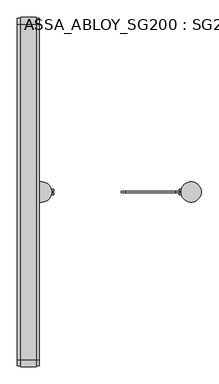
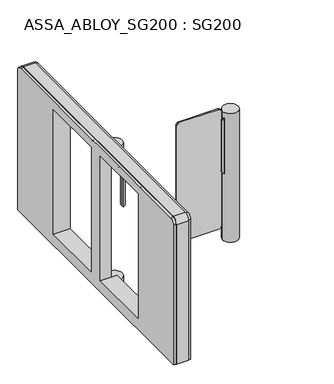
"""IFC4 building model written with IfcOpenShell, lengths in millimetres: proxy geometry, ASSA_ABLOY_SG200 : SG200."""

from ifc_helpers import new_model, si_unit, point, frame, frame_2d, origin, place, context, project, spatial, polyline, circle_curve, trimmed, segment, composite_curve, outline, extrude, source, transform, mapped, element, save
from ifc_brep_helpers import plane_surface, cylinder_surface, advanced_brep


def assa_abloy_sg200_sg200_abcd556b(model_context):
    return source(origin(), model_context, "Body", "SolidModel", [
        advanced_brep(
        [(-403.0, -40.7, 0.0), (-403.0, -864.0, 0.0), (-481.0, -864.0, 0.0), (-481.0, 864.0, 0.0), (-403.0, 864.0, 0.0), (-403.0, 40.7, 0.0), (-375.8, 40.7, 0.0), (-375.8, -40.7, 0.0), (-481.0, -864.0, 9.5), (-481.0, 864.0, 9.5), (-403.0, -40.7, 9.5), (-403.0, -864.0, 9.5), (-403.0, 864.0, 9.5), (-403.0, 40.7, 9.5), (-375.8, -40.7, 10.0), (-387.0, -40.7, 10.0), (-387.0, -40.7, 9.5), (-375.8, 40.7, 10.0), (-387.0, 40.7, 9.5), (-387.0, 40.7, 10.0), (-375.8, 50.8, 955.51), (-387.0, 50.8, 955.51), (-387.0, -50.8, 955.51), (-375.8, -50.8, 955.51), (-375.8, -50.8, 925.51), (-375.8, 50.8, 925.51), (-426.8, -50.8, 925.51), (-426.8, 50.8, 925.51), (-426.8, 50.8, 48.01), (-426.8, -50.8, 48.01), (-387.0, -50.8, 48.01), (-375.8, -50.8, 48.01), (-375.8, 50.8, 48.01), (-387.0, 50.8, 48.01), (-497.0, 50.8, 85.2), (-426.8, 50.8, 85.2), (-387.0, 50.8, 85.2), (-387.0, 474.0, 85.2), (-497.0, 474.0, 85.2), (-387.0, 474.0, 936.825), (-497.0, 474.0, 936.825), (-387.0, 50.8, 936.825), (-497.0, 50.8, 936.825), (-497.0, -474.0, 85.2), (-387.0, -474.0, 85.2), (-387.0, -50.8, 85.2), (-426.8, -50.8, 85.2), (-497.0, -50.8, 85.2), (-387.0, -50.8, 936.825), (-497.0, -50.8, 936.825), (-387.0, -474.0, 936.825), (-497.0, -474.0, 936.825), (-497.0, -874.0, 965.5), (-497.0, -842.5, 997.0), (-497.0, 842.5, 997.0), (-497.0, 874.0, 965.5), (-497.0, 874.0, 9.5), (-497.0, -874.0, 9.5), (-387.0, -874.0, 965.5), (-387.0, -874.0, 9.5), (-387.0, -50.8, 10.0), (-387.0, 50.8, 10.0), (-387.0, 874.0, 9.5), (-387.0, 874.0, 965.5), (-387.0, 842.5, 997.0), (-387.0, -842.5, 997.0), (-375.8, 50.8, 10.0), (-375.8, -50.8, 10.0)],
        [
            (0, 1),
            (1, 2),
            (2, 3),
            (3, 4),
            (4, 5),
            (5, 6),
            (6, 7, circle_curve(frame((-375.8, 0.0, 0.0), z_axis=(0.0, 0.0, -1.0), x_axis=(1.0, 0.0, 0.0)), 40.7)),
            (7, 0),
            (2, 8),
            (8, 9),
            (9, 3),
            (0, 10),
            (10, 11),
            (11, 1),
            (9, 12),
            (12, 4),
            (12, 13),
            (13, 5),
            (7, 14),
            (14, 15),
            (15, 16),
            (16, 10),
            (6, 17),
            (17, 14, circle_curve(frame((-375.8, 0.0, 10.0), z_axis=(0.0, 0.0, -1.0), x_axis=(1.0, 0.0, 0.0)), 40.7)),
            (13, 18),
            (18, 19),
            (19, 17),
            (20, 21),
            (21, 22),
            (22, 23),
            (23, 20, circle_curve(frame((-375.8, 0.0, 955.51), z_axis=(0.0, 0.0, 1.0), x_axis=(1.0, 0.0, 0.0)), 50.8)),
            (23, 24),
            (24, 25, circle_curve(frame((-375.8, 0.0, 925.51), z_axis=(0.0, 0.0, 1.0), x_axis=(1.0, 0.0, 0.0)), 50.8)),
            (25, 20),
            (11, 8),
            (26, 27),
            (27, 25),
            (24, 26),
            (28, 29),
            (29, 30),
            (30, 31),
            (31, 32, circle_curve(frame((-375.8, 0.0, 48.01), z_axis=(0.0, 0.0, 1.0), x_axis=(1.0, 0.0, 0.0)), 50.8)),
            (32, 33),
            (33, 28),
            (34, 35),
            (35, 36),
            (36, 37),
            (37, 38),
            (38, 34),
            (37, 39),
            (39, 40),
            (40, 38),
            (39, 41),
            (41, 42),
            (42, 40),
            (34, 42),
            (41, 21),
            (27, 35),
            (43, 44),
            (44, 45),
            (45, 46),
            (46, 47),
            (47, 43),
            (46, 26),
            (22, 48),
            (48, 49),
            (49, 47),
            (48, 50),
            (50, 51),
            (51, 49),
            (43, 51),
            (50, 44),
            (52, 53, circle_curve(frame((-497.0, -842.5, 965.5), z_axis=(-1.0, 0.0, 0.0), x_axis=(0.0, 1.0, 0.0)), 31.5)),
            (53, 54),
            (54, 55, circle_curve(frame((-497.0, 842.5, 965.5), z_axis=(-1.0, 0.0, 0.0), x_axis=(0.0, 1.0, 0.0)), 31.5)),
            (55, 56),
            (56, 57),
            (57, 52),
            (58, 59),
            (59, 16),
            (15, 60),
            (60, 30),
            (30, 45),
            (36, 33),
            (33, 61),
            (61, 19),
            (18, 62),
            (62, 63),
            (63, 64, circle_curve(frame((-387.0, 842.5, 965.5), z_axis=(1.0, 0.0, 0.0), x_axis=(0.0, 1.0, 0.0)), 31.5)),
            (64, 65),
            (65, 58, circle_curve(frame((-387.0, -842.5, 965.5), z_axis=(1.0, 0.0, 0.0), x_axis=(0.0, 1.0, 0.0)), 31.5)),
            (57, 59),
            (58, 52),
            (56, 62),
            (55, 63),
            (54, 64),
            (53, 65),
            (35, 28),
            (46, 29),
            (32, 66),
            (66, 61),
            (60, 67),
            (67, 31),
            (67, 66, circle_curve(frame((-375.8, 0.0, 10.0), z_axis=(0.0, 0.0, 1.0), x_axis=(1.0, 0.0, 0.0)), 50.8)),
        ],
        [
            plane_surface(frame((-403.0, -40.7, 0.0), z_axis=(0.0, 0.0, -1.0), x_axis=(-1.0, 0.0, 0.0))),
            plane_surface(frame((-481.0, 864.0, 10.21), z_axis=(-1.0, 0.0, 0.0), x_axis=(0.0, 0.0, -1.0))),
            plane_surface(frame((-403.0, -864.0, 10.21), z_axis=(1.0, 0.0, 0.0), x_axis=(0.0, 0.0, -1.0))),
            plane_surface(frame((-403.0, 864.0, 10.21), z_axis=(0.0, 1.0, 0.0), x_axis=(0.0, 0.0, -1.0))),
            plane_surface(frame((-403.0, 40.7, 10.21), z_axis=(1.0, 0.0, 0.0), x_axis=(0.0, 0.0, -1.0))),
            plane_surface(frame((-403.0, -40.7, 10.21), z_axis=(0.0, -1.0, 0.0), x_axis=(0.0, 0.0, -1.0))),
            cylinder_surface(frame((-375.8, 0.0, 0.0), z_axis=(0.0, 0.0, 1.0), x_axis=(1.0, 0.0, 0.0)), 40.7),
            plane_surface(frame((-375.8, 40.7, 10.21), z_axis=(0.0, 1.0, 0.0), x_axis=(0.0, 0.0, -1.0))),
            plane_surface(frame((-375.8, 50.8, 955.51), z_axis=(0.0, 0.0, 1.0), x_axis=(-1.0, 0.0, 0.0))),
            cylinder_surface(frame((-375.8, 0.0, 925.51), z_axis=(0.0, 0.0, 1.0), x_axis=(1.0, 0.0, 0.0)), 50.8),
            plane_surface(frame((-481.0, -864.0, 10.21), z_axis=(0.0, -1.0, 0.0), x_axis=(0.0, 0.0, -1.0))),
            plane_surface(frame((-426.8, 0.0, 925.51), z_axis=(0.0, 0.0, -1.0), x_axis=(0.0, -1.0, 0.0))),
            plane_surface(frame((-426.8, 0.0, 48.01), z_axis=(0.0, 0.0, 1.0), x_axis=(0.0, 1.0, 0.0))),
            plane_surface(frame((-380.0, 50.8, 85.2), z_axis=(0.0, 0.0, 1.0), x_axis=(-1.0, 0.0, 0.0))),
            plane_surface(frame((-380.0, 474.0, 85.2), z_axis=(0.0, -1.0, 0.0), x_axis=(-1.0, 0.0, 0.0))),
            plane_surface(frame((-380.0, 474.0, 936.825), z_axis=(0.0, 0.0, -1.0), x_axis=(-1.0, 0.0, 0.0))),
            plane_surface(frame((-380.0, 50.8, 936.825), z_axis=(0.0, 1.0, 0.0), x_axis=(-1.0, 0.0, 0.0))),
            plane_surface(frame((-380.0, -474.0, 85.2), z_axis=(0.0, 0.0, 1.0), x_axis=(-1.0, 0.0, 0.0))),
            plane_surface(frame((-380.0, -50.8, 85.2), z_axis=(0.0, -1.0, 0.0), x_axis=(-1.0, 0.0, 0.0))),
            plane_surface(frame((-380.0, -50.8, 936.825), z_axis=(0.0, 0.0, -1.0), x_axis=(-1.0, 0.0, 0.0))),
            plane_surface(frame((-380.0, -474.0, 936.825), z_axis=(0.0, 1.0, 0.0), x_axis=(-1.0, 0.0, 0.0))),
            plane_surface(frame((-497.0, -874.0, 10.2), z_axis=(-1.0, 0.0, 0.0), x_axis=(0.0, 0.0, 1.0))),
            plane_surface(frame((-387.0, -874.0, 10.2), z_axis=(1.0, 0.0, 0.0), x_axis=(0.0, 0.0, -1.0))),
            plane_surface(frame((-387.0, -874.0, 965.5), z_axis=(0.0, -1.0, 0.0), x_axis=(-1.0, 0.0, 0.0))),
            plane_surface(frame((-387.0, -874.0, 9.5), z_axis=(0.0, 0.0, -1.0), x_axis=(-1.0, 0.0, 0.0))),
            plane_surface(frame((-387.0, 874.0, 9.5), z_axis=(0.0, 1.0, 0.0), x_axis=(-1.0, 0.0, 0.0))),
            cylinder_surface(frame((-497.0, 842.5, 965.5), z_axis=(1.0, 0.0, 0.0), x_axis=(0.0, 1.0, 0.0)), 31.5),
            plane_surface(frame((-387.0, 842.5, 997.0), z_axis=(0.0, 0.0, 1.0), x_axis=(-1.0, 0.0, 0.0))),
            cylinder_surface(frame((-497.0, -842.5, 965.5), z_axis=(1.0, 0.0, 0.0), x_axis=(0.0, 1.0, 0.0)), 31.5),
            plane_surface(frame((-387.0, 50.8, 925.51), z_axis=(0.0, -1.0, 0.0), x_axis=(0.0, 0.0, -1.0))),
            plane_surface(frame((-426.8, 50.8, 925.51), z_axis=(1.0, 0.0, 0.0), x_axis=(0.0, 0.0, -1.0))),
            plane_surface(frame((-426.8, -50.8, 925.51), z_axis=(0.0, 1.0, 0.0), x_axis=(0.0, 0.0, -1.0))),
            plane_surface(frame((-375.8, 50.8, 48.01), z_axis=(0.0, 1.0, 0.0), x_axis=(0.0, 0.0, -1.0))),
            plane_surface(frame((-387.0, -50.8, 48.01), z_axis=(0.0, -1.0, 0.0), x_axis=(0.0, 0.0, -1.0))),
            cylinder_surface(frame((-375.8, 0.0, 10.0), z_axis=(0.0, 0.0, 1.0), x_axis=(1.0, 0.0, 0.0)), 50.8),
            plane_surface(frame((-375.8, 50.8, 10.0), z_axis=(0.0, 0.0, -1.0), x_axis=(1.0, 0.0, 0.0))),
        ],
        [
            (0, [[1, 2, 3, 4, 5, 6, 7, 8]]),
            (1, [[-3, 9, 10, 11]]),
            (2, [[-1, 12, 13, 14]]),
            (3, [[-4, -11, 15, 16]]),
            (4, [[-5, -16, 17, 18]]),
            (5, [[-8, 19, 20, 21, 22, -12]]),
            (6, [[-7, 23, 24, -19]]),
            (7, [[-6, -18, 25, 26, 27, -23]]),
            (8, [[28, 29, 30, 31]]),
            (9, [[-31, 32, 33, 34]]),
            (10, [[-2, -14, 35, -9]]),
            (11, [[36, 37, -33, 38]]),
            (12, [[39, 40, 41, 42, 43, 44]]),
            (13, [[45, 46, 47, 48, 49]]),
            (14, [[-48, 50, 51, 52]]),
            (15, [[-51, 53, 54, 55]]),
            (16, [[-45, 56, -54, 57, -28, -34, -37, 58]]),
            (17, [[59, 60, 61, 62, 63]]),
            (18, [[-62, 64, -38, -32, -30, 65, 66, 67]]),
            (19, [[-66, 68, 69, 70]]),
            (20, [[-59, 71, -69, 72]]),
            (21, [[73, 74, 75, 76, 77, 78], [-49, -52, -55, -56], [-63, -67, -70, -71]]),
            (22, [[79, 80, -21, 81, 82, 83, -60, -72, -68, -65, -29, -57, -53, -50, -47, 84, 85, 86, -26, 87, 88, 89, 90, 91]]),
            (23, [[-78, 92, -79, 93]]),
            (24, [[-77, 94, -87, -25, -17, -15, -10, -35, -13, -22, -80, -92]]),
            (25, [[-76, 95, -88, -94]]),
            (26, [[-75, 96, -89, -95]]),
            (27, [[-74, 97, -90, -96]]),
            (28, [[-73, -93, -91, -97]]),
            (29, [[-44, -84, -46, 98]]),
            (30, [[-36, -64, 99, -39, -98, -58]]),
            (31, [[-40, -99, -61, -83]]),
            (32, [[-43, 100, 101, -85]]),
            (33, [[-41, -82, 102, 103]]),
            (34, [[-42, -103, 104, -100]]),
            (35, [[-104, -102, -81, -20, -24, -27, -86, -101]]),
        ],
    ),
        extrude(outline(composite_curve([segment(polyline([(-874.0, 965.5), (-874.0, 9.5), (-877.0, 9.5), (-877.0, 965.5)]), True, "CONTINUOUS"), segment(trimmed(circle_curve(frame_2d((-842.5, 965.5)), 34.5), [point((-877.0, 965.5))], [point((-842.5, 1000.0))], False, "CARTESIAN"), True, "CONTINUOUS"), segment(polyline([(-842.5, 1000.0), (842.5, 1000.0)]), True, "CONTINUOUS"), segment(trimmed(circle_curve(frame_2d((842.5, 965.5)), 34.5), [point((842.5, 1000.0))], [point((877.0, 965.5))], False, "CARTESIAN"), True, "CONTINUOUS"), segment(polyline([(877.0, 965.5), (877.0, 9.5), (874.0, 9.5), (874.0, 965.5)]), True, "CONTINUOUS"), segment(trimmed(circle_curve(frame_2d((842.5, 965.5)), 31.5), [point((874.0, 965.5))], [point((842.5, 997.0))], True, "CARTESIAN"), True, "CONTINUOUS"), segment(polyline([(842.5, 997.0), (-842.5, 997.0)]), True, "CONTINUOUS"), segment(trimmed(circle_curve(frame_2d((-842.5, 965.5)), 31.5), [point((-842.5, 997.0))], [point((-874.0, 965.5))], True, "CARTESIAN"), True, "CONTINUOUS")], self_intersect=False)), frame((-481.0, 0.0, 0.0), z_axis=(1.0, 0.0, 0.0), x_axis=(0.0, 1.0, 0.0)), (0.0, 0.0, 1.0), 78.0),
        advanced_brep(
        [(-426.0, -351.7809311, 936.825), (-420.0, -357.7809311, 936.825), (-420.0, -357.7809311, 933.825), (-426.0, -351.7809311, 933.825), (-435.0, -357.7809311, 918.825), (-435.0, -351.7809311, 924.825), (-435.0, -351.7809311, 933.825), (-435.0, -411.7809311, 933.825), (-435.0, -411.7809311, 924.825), (-435.0, -405.7809311, 918.825), (-438.0, -357.7809311, 918.825), (-438.0, -351.7809311, 924.825), (-438.0, -411.7809311, 924.825), (-438.0, -405.7809311, 918.825), (-438.0, -351.7809311, 936.825), (-438.0, -411.7809311, 936.825), (-426.0, -411.7809311, 936.825), (-420.0, -405.7809311, 936.825), (-420.0, -405.7809311, 933.825), (-426.0, -411.7809311, 933.825)],
        [
            (0, 1, circle_curve(frame((-426.0, -357.7809311, 936.825), z_axis=(0.0, 0.0, -1.0), x_axis=(0.0, -1.0, 0.0)), 6.0)),
            (1, 2),
            (2, 3, circle_curve(frame((-426.0, -357.7809311, 933.825), z_axis=(0.0, 0.0, 1.0), x_axis=(0.0, -1.0, 0.0)), 6.0)),
            (3, 0),
            (4, 5, circle_curve(frame((-435.0, -357.7809311, 924.825), z_axis=(1.0, 0.0, 0.0), x_axis=(0.0, 1.0, 0.0)), 6.0)),
            (5, 6),
            (6, 7),
            (7, 8),
            (8, 9, circle_curve(frame((-435.0, -405.7809311, 924.825), z_axis=(1.0, 0.0, 0.0), x_axis=(0.0, 1.0, 0.0)), 6.0)),
            (9, 4),
            (10, 11, circle_curve(frame((-438.0, -357.7809311, 924.825), z_axis=(1.0, 0.0, 0.0), x_axis=(0.0, 1.0, 0.0)), 6.0)),
            (11, 5),
            (4, 10),
            (12, 13, circle_curve(frame((-438.0, -405.7809311, 924.825), z_axis=(1.0, 0.0, 0.0), x_axis=(0.0, 1.0, 0.0)), 6.0)),
            (13, 9),
            (8, 12),
            (13, 10),
            (0, 14),
            (14, 15),
            (15, 16),
            (16, 17, circle_curve(frame((-426.0, -405.7809311, 936.825), z_axis=(0.0, 0.0, 1.0), x_axis=(0.0, -1.0, 0.0)), 6.0)),
            (17, 1),
            (2, 18),
            (18, 19, circle_curve(frame((-426.0, -405.7809311, 933.825), z_axis=(0.0, 0.0, -1.0), x_axis=(0.0, -1.0, 0.0)), 6.0)),
            (19, 7),
            (6, 3),
            (17, 18),
            (16, 19),
            (15, 12),
            (14, 11),
        ],
        [
            cylinder_surface(frame((-426.0, -357.7809311, 936.825), z_axis=(0.0, 0.0, -1.0), x_axis=(0.0, -1.0, 0.0)), 6.0),
            plane_surface(frame((-435.0, 405.7809311, 918.825), z_axis=(1.0, 0.0, 0.0), x_axis=(0.0, 1.0, 0.0))),
            cylinder_surface(frame((-438.0, -357.7809311, 924.825), z_axis=(1.0, 0.0, 0.0), x_axis=(0.0, 1.0, 0.0)), 6.0),
            cylinder_surface(frame((-438.0, -405.7809311, 924.825), z_axis=(1.0, 0.0, 0.0), x_axis=(0.0, 1.0, 0.0)), 6.0),
            plane_surface(frame((-435.0, -405.7809311, 918.825), z_axis=(0.0, 0.0, -1.0), x_axis=(-1.0, 0.0, 0.0))),
            plane_surface(frame((-420.0, -405.7809311, 936.825), z_axis=(0.0, 0.0, 1.0), x_axis=(0.0, 1.0, 0.0))),
            plane_surface(frame((-420.0, -405.7809311, 933.825), z_axis=(0.0, 0.0, -1.0), x_axis=(0.0, -1.0, 0.0))),
            plane_surface(frame((-420.0, -357.7809311, 933.825), z_axis=(1.0, 0.0, 0.0), x_axis=(0.0, 0.0, 1.0))),
            cylinder_surface(frame((-426.0, -405.7809311, 936.825), z_axis=(0.0, 0.0, -1.0), x_axis=(0.0, -1.0, 0.0)), 6.0),
            plane_surface(frame((-426.0, -411.7809311, 933.825), z_axis=(0.0, -1.0, 0.0), x_axis=(0.0, 0.0, 1.0))),
            plane_surface(frame((-438.0, -411.7809311, 933.825), z_axis=(-1.0, 0.0, 0.0), x_axis=(0.0, 0.0, 1.0))),
            plane_surface(frame((-438.0, -351.7809311, 933.825), z_axis=(0.0, 1.0, 0.0), x_axis=(0.0, 0.0, 1.0))),
        ],
        [
            (0, [[1, 2, 3, 4]]),
            (1, [[5, 6, 7, 8, 9, 10]]),
            (2, [[11, 12, -5, 13]]),
            (3, [[14, 15, -9, 16]]),
            (4, [[17, -13, -10, -15]]),
            (5, [[-1, 18, 19, 20, 21, 22]]),
            (6, [[23, 24, 25, -7, 26, -3]]),
            (7, [[-22, 27, -23, -2]]),
            (8, [[-21, 28, -24, -27]]),
            (9, [[-28, -20, 29, -16, -8, -25]]),
            (10, [[-19, 30, -11, -17, -14, -29]]),
            (11, [[-4, -26, -6, -12, -30, -18]]),
        ],
    ),
        advanced_brep(
        [(-435.0, 357.7809311, 918.825), (-435.0, 405.7809311, 918.825), (-435.0, 411.7809311, 924.825), (-435.0, 411.7809311, 933.825), (-435.0, 351.7809311, 933.825), (-435.0, 351.7809311, 924.825), (-438.0, 357.7809311, 918.825), (-438.0, 405.7809311, 918.825), (-438.0, 411.7809311, 924.825), (-438.0, 351.7809311, 924.825), (-420.0, 357.7809311, 936.825), (-420.0, 405.7809311, 936.825), (-426.0, 411.7809311, 936.825), (-438.0, 411.7809311, 936.825), (-438.0, 351.7809311, 936.825), (-426.0, 351.7809311, 936.825), (-420.0, 357.7809311, 933.825), (-426.0, 351.7809311, 933.825), (-426.0, 411.7809311, 933.825), (-420.0, 405.7809311, 933.825)],
        [
            (0, 1),
            (1, 2, circle_curve(frame((-435.0, 405.7809311, 924.825), z_axis=(1.0, 0.0, 0.0), x_axis=(0.0, 1.0, 0.0)), 6.0)),
            (2, 3),
            (3, 4),
            (4, 5),
            (5, 0, circle_curve(frame((-435.0, 357.7809311, 924.825), z_axis=(1.0, 0.0, 0.0), x_axis=(0.0, 1.0, 0.0)), 6.0)),
            (6, 7),
            (7, 1),
            (0, 6),
            (7, 8, circle_curve(frame((-438.0, 405.7809311, 924.825), z_axis=(1.0, 0.0, 0.0), x_axis=(0.0, 1.0, 0.0)), 6.0)),
            (8, 2),
            (9, 6, circle_curve(frame((-438.0, 357.7809311, 924.825), z_axis=(1.0, 0.0, 0.0), x_axis=(0.0, 1.0, 0.0)), 6.0)),
            (5, 9),
            (10, 11),
            (11, 12, circle_curve(frame((-426.0, 405.7809311, 936.825), z_axis=(0.0, 0.0, 1.0), x_axis=(0.0, -1.0, 0.0)), 6.0)),
            (12, 13),
            (13, 14),
            (14, 15),
            (15, 10, circle_curve(frame((-426.0, 357.7809311, 936.825), z_axis=(0.0, 0.0, 1.0), x_axis=(0.0, -1.0, 0.0)), 6.0)),
            (16, 17, circle_curve(frame((-426.0, 357.7809311, 933.825), z_axis=(0.0, 0.0, -1.0), x_axis=(0.0, -1.0, 0.0)), 6.0)),
            (17, 4),
            (3, 18),
            (18, 19, circle_curve(frame((-426.0, 405.7809311, 933.825), z_axis=(0.0, 0.0, -1.0), x_axis=(0.0, -1.0, 0.0)), 6.0)),
            (19, 16),
            (13, 8),
            (9, 14),
            (15, 17),
            (16, 10),
            (12, 18),
            (11, 19),
        ],
        [
            plane_surface(frame((-435.0, 405.7809311, 918.825), z_axis=(1.0, 0.0, 0.0), x_axis=(0.0, 1.0, 0.0))),
            plane_surface(frame((-435.0, 357.7809311, 918.825), z_axis=(0.0, 0.0, -1.0), x_axis=(-1.0, 0.0, 0.0))),
            cylinder_surface(frame((-438.0, 405.7809311, 924.825), z_axis=(1.0, 0.0, 0.0), x_axis=(0.0, 1.0, 0.0)), 6.0),
            cylinder_surface(frame((-438.0, 357.7809311, 924.825), z_axis=(1.0, 0.0, 0.0), x_axis=(0.0, 1.0, 0.0)), 6.0),
            plane_surface(frame((-420.0, -405.7809311, 936.825), z_axis=(0.0, 0.0, 1.0), x_axis=(0.0, 1.0, 0.0))),
            plane_surface(frame((-420.0, -405.7809311, 933.825), z_axis=(0.0, 0.0, -1.0), x_axis=(0.0, -1.0, 0.0))),
            plane_surface(frame((-438.0, -411.7809311, 933.825), z_axis=(-1.0, 0.0, 0.0), x_axis=(0.0, 0.0, 1.0))),
            cylinder_surface(frame((-426.0, 357.7809311, 936.825), z_axis=(0.0, 0.0, -1.0), x_axis=(0.0, -1.0, 0.0)), 6.0),
            plane_surface(frame((-426.0, 351.7809311, 933.825), z_axis=(0.0, -1.0, 0.0), x_axis=(0.0, 0.0, 1.0))),
            plane_surface(frame((-438.0, 411.7809311, 933.825), z_axis=(0.0, 1.0, 0.0), x_axis=(0.0, 0.0, 1.0))),
            cylinder_surface(frame((-426.0, 405.7809311, 936.825), z_axis=(0.0, 0.0, -1.0), x_axis=(0.0, -1.0, 0.0)), 6.0),
            plane_surface(frame((-420.0, 405.7809311, 933.825), z_axis=(1.0, 0.0, 0.0), x_axis=(0.0, 0.0, 1.0))),
        ],
        [
            (0, [[1, 2, 3, 4, 5, 6]]),
            (1, [[7, 8, -1, 9]]),
            (2, [[10, 11, -2, -8]]),
            (3, [[12, -9, -6, 13]]),
            (4, [[14, 15, 16, 17, 18, 19]]),
            (5, [[20, 21, -4, 22, 23, 24]]),
            (6, [[-17, 25, -10, -7, -12, 26]]),
            (7, [[-19, 27, -20, 28]]),
            (8, [[-27, -18, -26, -13, -5, -21]]),
            (9, [[29, -22, -3, -11, -25, -16]]),
            (10, [[-15, 30, -23, -29]]),
            (11, [[-14, -28, -24, -30]]),
        ],
    ),
        advanced_brep(
        [(-435.0, 173.7809311, 918.825), (-435.0, 179.7809311, 924.825), (-435.0, 179.7809311, 933.825), (-435.0, 119.7809311, 933.825), (-435.0, 119.7809311, 924.825), (-435.0, 125.7809311, 918.825), (-438.0, 173.7809311, 918.825), (-438.0, 179.7809311, 924.825), (-438.0, 119.7809311, 924.825), (-438.0, 125.7809311, 918.825), (-420.0, 174.7809311, 936.825), (-425.0, 179.7809311, 936.825), (-438.0, 179.7809311, 936.825), (-438.0, 119.7809311, 936.825), (-426.0, 119.7809311, 936.825), (-420.0, 125.7809311, 936.825), (-420.0, 174.7809311, 933.825), (-420.0, 125.7809311, 933.825), (-426.0, 119.7809311, 933.825), (-425.0, 179.7809311, 933.825)],
        [
            (0, 1, circle_curve(frame((-435.0, 173.7809311, 924.825), z_axis=(1.0, 0.0, 0.0), x_axis=(0.0, 1.0, 0.0)), 6.0)),
            (1, 2),
            (2, 3),
            (3, 4),
            (4, 5, circle_curve(frame((-435.0, 125.7809311, 924.825), z_axis=(1.0, 0.0, 0.0), x_axis=(0.0, 1.0, 0.0)), 6.0)),
            (5, 0),
            (6, 7, circle_curve(frame((-438.0, 173.7809311, 924.825), z_axis=(1.0, 0.0, 0.0), x_axis=(0.0, 1.0, 0.0)), 6.0)),
            (7, 1),
            (0, 6),
            (8, 9, circle_curve(frame((-438.0, 125.7809311, 924.825), z_axis=(1.0, 0.0, 0.0), x_axis=(0.0, 1.0, 0.0)), 6.0)),
            (9, 5),
            (4, 8),
            (9, 6),
            (10, 11, circle_curve(frame((-425.0, 174.7809311, 936.825), z_axis=(0.0, 0.0, 1.0), x_axis=(0.0, -1.0, 0.0)), 5.0)),
            (11, 12),
            (12, 13),
            (13, 14),
            (14, 15, circle_curve(frame((-426.0, 125.7809311, 936.825), z_axis=(0.0, 0.0, 1.0), x_axis=(0.0, -1.0, 0.0)), 6.0)),
            (15, 10),
            (16, 17),
            (17, 18, circle_curve(frame((-426.0, 125.7809311, 933.825), z_axis=(0.0, 0.0, -1.0), x_axis=(0.0, -1.0, 0.0)), 6.0)),
            (18, 3),
            (2, 19),
            (19, 16, circle_curve(frame((-425.0, 174.7809311, 933.825), z_axis=(0.0, 0.0, -1.0), x_axis=(0.0, -1.0, 0.0)), 5.0)),
            (12, 7),
            (8, 13),
            (15, 17),
            (16, 10),
            (14, 18),
            (11, 19),
        ],
        [
            plane_surface(frame((-435.0, 405.7809311, 918.825), z_axis=(1.0, 0.0, 0.0), x_axis=(0.0, 1.0, 0.0))),
            cylinder_surface(frame((-438.0, 173.7809311, 924.825), z_axis=(1.0, 0.0, 0.0), x_axis=(0.0, 1.0, 0.0)), 6.0),
            cylinder_surface(frame((-438.0, 125.7809311, 924.825), z_axis=(1.0, 0.0, 0.0), x_axis=(0.0, 1.0, 0.0)), 6.0),
            plane_surface(frame((-435.0, 125.7809311, 918.825), z_axis=(0.0, 0.0, -1.0), x_axis=(-1.0, 0.0, 0.0))),
            plane_surface(frame((-420.0, -405.7809311, 936.825), z_axis=(0.0, 0.0, 1.0), x_axis=(0.0, 1.0, 0.0))),
            plane_surface(frame((-420.0, -405.7809311, 933.825), z_axis=(0.0, 0.0, -1.0), x_axis=(0.0, -1.0, 0.0))),
            plane_surface(frame((-438.0, -411.7809311, 933.825), z_axis=(-1.0, 0.0, 0.0), x_axis=(0.0, 0.0, 1.0))),
            plane_surface(frame((-420.0, 174.7809311, 933.825), z_axis=(1.0, 0.0, 0.0), x_axis=(0.0, 0.0, 1.0))),
            cylinder_surface(frame((-426.0, 125.7809311, 936.825), z_axis=(0.0, 0.0, -1.0), x_axis=(0.0, -1.0, 0.0)), 6.0),
            plane_surface(frame((-426.0, 119.7809311, 933.825), z_axis=(0.0, -1.0, 0.0), x_axis=(0.0, 0.0, 1.0))),
            plane_surface(frame((-438.0, 179.7809311, 933.825), z_axis=(0.0, 1.0, 0.0), x_axis=(0.0, 0.0, 1.0))),
            cylinder_surface(frame((-425.0, 174.7809311, 936.825), z_axis=(0.0, 0.0, -1.0), x_axis=(0.0, -1.0, 0.0)), 5.0),
        ],
        [
            (0, [[1, 2, 3, 4, 5, 6]]),
            (1, [[7, 8, -1, 9]]),
            (2, [[10, 11, -5, 12]]),
            (3, [[13, -9, -6, -11]]),
            (4, [[14, 15, 16, 17, 18, 19]]),
            (5, [[20, 21, 22, -3, 23, 24]]),
            (6, [[-16, 25, -7, -13, -10, 26]]),
            (7, [[-19, 27, -20, 28]]),
            (8, [[-18, 29, -21, -27]]),
            (9, [[-29, -17, -26, -12, -4, -22]]),
            (10, [[30, -23, -2, -8, -25, -15]]),
            (11, [[-14, -28, -24, -30]]),
        ],
    ),
        advanced_brep(
        [(-435.0, -173.7809311, 918.825), (-435.0, -125.7809311, 918.825), (-435.0, -119.7809311, 924.825), (-435.0, -119.7809311, 933.825), (-435.0, -179.7809311, 933.825), (-435.0, -179.7809311, 924.825), (-438.0, -173.7809311, 918.825), (-438.0, -125.7809311, 918.825), (-438.0, -119.7809311, 924.825), (-438.0, -179.7809311, 924.825), (-420.0, -173.7809311, 936.825), (-420.0, -125.7809311, 936.825), (-426.0, -119.7809311, 936.825), (-438.0, -119.7809311, 936.825), (-438.0, -179.7809311, 936.825), (-426.0, -179.7809311, 936.825), (-420.0, -173.7809311, 933.825), (-426.0, -179.7809311, 933.825), (-426.0, -119.7809311, 933.825), (-420.0, -125.7809311, 933.825)],
        [
            (0, 1),
            (1, 2, circle_curve(frame((-435.0, -125.7809311, 924.825), z_axis=(1.0, 0.0, 0.0), x_axis=(0.0, 1.0, 0.0)), 6.0)),
            (2, 3),
            (3, 4),
            (4, 5),
            (5, 0, circle_curve(frame((-435.0, -173.7809311, 924.825), z_axis=(1.0, 0.0, 0.0), x_axis=(0.0, 1.0, 0.0)), 6.0)),
            (6, 7),
            (7, 1),
            (0, 6),
            (7, 8, circle_curve(frame((-438.0, -125.7809311, 924.825), z_axis=(1.0, 0.0, 0.0), x_axis=(0.0, 1.0, 0.0)), 6.0)),
            (8, 2),
            (9, 6, circle_curve(frame((-438.0, -173.7809311, 924.825), z_axis=(1.0, 0.0, 0.0), x_axis=(0.0, 1.0, 0.0)), 6.0)),
            (5, 9),
            (10, 11),
            (11, 12, circle_curve(frame((-426.0, -125.7809311, 936.825), z_axis=(0.0, 0.0, 1.0), x_axis=(0.0, -1.0, 0.0)), 6.0)),
            (12, 13),
            (13, 14),
            (14, 15),
            (15, 10, circle_curve(frame((-426.0, -173.7809311, 936.825), z_axis=(0.0, 0.0, 1.0), x_axis=(0.0, -1.0, 0.0)), 6.0)),
            (16, 17, circle_curve(frame((-426.0, -173.7809311, 933.825), z_axis=(0.0, 0.0, -1.0), x_axis=(0.0, -1.0, 0.0)), 6.0)),
            (17, 4),
            (3, 18),
            (18, 19, circle_curve(frame((-426.0, -125.7809311, 933.825), z_axis=(0.0, 0.0, -1.0), x_axis=(0.0, -1.0, 0.0)), 6.0)),
            (19, 16),
            (13, 8),
            (9, 14),
            (15, 17),
            (16, 10),
            (12, 18),
            (11, 19),
        ],
        [
            plane_surface(frame((-435.0, 405.7809311, 918.825), z_axis=(1.0, 0.0, 0.0), x_axis=(0.0, 1.0, 0.0))),
            plane_surface(frame((-435.0, -173.7809311, 918.825), z_axis=(0.0, 0.0, -1.0), x_axis=(-1.0, 0.0, 0.0))),
            cylinder_surface(frame((-438.0, -125.7809311, 924.825), z_axis=(1.0, 0.0, 0.0), x_axis=(0.0, 1.0, 0.0)), 6.0),
            cylinder_surface(frame((-438.0, -173.7809311, 924.825), z_axis=(1.0, 0.0, 0.0), x_axis=(0.0, 1.0, 0.0)), 6.0),
            plane_surface(frame((-420.0, -405.7809311, 936.825), z_axis=(0.0, 0.0, 1.0), x_axis=(0.0, 1.0, 0.0))),
            plane_surface(frame((-420.0, -405.7809311, 933.825), z_axis=(0.0, 0.0, -1.0), x_axis=(0.0, -1.0, 0.0))),
            plane_surface(frame((-438.0, -411.7809311, 933.825), z_axis=(-1.0, 0.0, 0.0), x_axis=(0.0, 0.0, 1.0))),
            cylinder_surface(frame((-426.0, -173.7809311, 936.825), z_axis=(0.0, 0.0, -1.0), x_axis=(0.0, -1.0, 0.0)), 6.0),
            plane_surface(frame((-426.0, -179.7809311, 933.825), z_axis=(0.0, -1.0, 0.0), x_axis=(0.0, 0.0, 1.0))),
            plane_surface(frame((-438.0, -119.7809311, 933.825), z_axis=(0.0, 1.0, 0.0), x_axis=(0.0, 0.0, 1.0))),
            cylinder_surface(frame((-426.0, -125.7809311, 936.825), z_axis=(0.0, 0.0, -1.0), x_axis=(0.0, -1.0, 0.0)), 6.0),
            plane_surface(frame((-420.0, -125.7809311, 933.825), z_axis=(1.0, 0.0, 0.0), x_axis=(0.0, 0.0, 1.0))),
        ],
        [
            (0, [[1, 2, 3, 4, 5, 6]]),
            (1, [[7, 8, -1, 9]]),
            (2, [[10, 11, -2, -8]]),
            (3, [[12, -9, -6, 13]]),
            (4, [[14, 15, 16, 17, 18, 19]]),
            (5, [[20, 21, -4, 22, 23, 24]]),
            (6, [[-17, 25, -10, -7, -12, 26]]),
            (7, [[-19, 27, -20, 28]]),
            (8, [[-27, -18, -26, -13, -5, -21]]),
            (9, [[29, -22, -3, -11, -25, -16]]),
            (10, [[-15, 30, -23, -29]]),
            (11, [[-14, -28, -24, -30]]),
        ],
    ),
        advanced_brep(
        [(-449.0, 357.7809311, 918.825), (-449.0, 351.7809311, 924.825), (-449.0, 351.7809311, 933.825), (-449.0, 411.7809311, 933.825), (-449.0, 411.7809311, 924.825), (-449.0, 405.7809311, 918.825), (-446.0, 405.7809311, 918.825), (-446.0, 357.7809311, 918.825), (-446.0, 411.7809311, 924.825), (-446.0, 351.7809311, 924.825), (-464.0, 357.7809311, 936.825), (-458.0, 351.7809311, 936.825), (-446.0, 351.7809311, 936.825), (-446.0, 411.7809311, 936.825), (-458.0, 411.7809311, 936.825), (-464.0, 405.7809311, 936.825), (-464.0, 357.7809311, 933.825), (-464.0, 405.7809311, 933.825), (-458.0, 411.7809311, 933.825), (-458.0, 351.7809311, 933.825)],
        [
            (0, 1, circle_curve(frame((-449.0, 357.7809311, 924.825), z_axis=(-1.0, 0.0, 0.0), x_axis=(0.0, -1.0, 0.0)), 6.0)),
            (1, 2),
            (2, 3),
            (3, 4),
            (4, 5, circle_curve(frame((-449.0, 405.7809311, 924.825), z_axis=(-1.0, 0.0, 0.0), x_axis=(0.0, -1.0, 0.0)), 6.0)),
            (5, 0),
            (6, 7),
            (7, 0),
            (5, 6),
            (8, 6, circle_curve(frame((-446.0, 405.7809311, 924.825), z_axis=(-1.0, 0.0, 0.0), x_axis=(0.0, -1.0, 0.0)), 6.0)),
            (4, 8),
            (7, 9, circle_curve(frame((-446.0, 357.7809311, 924.825), z_axis=(-1.0, 0.0, 0.0), x_axis=(0.0, -1.0, 0.0)), 6.0)),
            (9, 1),
            (10, 11, circle_curve(frame((-458.0, 357.7809311, 936.825), z_axis=(0.0, 0.0, 1.0), x_axis=(0.0, -1.0, 0.0)), 6.0)),
            (11, 12),
            (12, 13),
            (13, 14),
            (14, 15, circle_curve(frame((-458.0, 405.7809311, 936.825), z_axis=(0.0, 0.0, 1.0), x_axis=(0.0, -1.0, 0.0)), 6.0)),
            (15, 10),
            (16, 17),
            (17, 18, circle_curve(frame((-458.0, 405.7809311, 933.825), z_axis=(0.0, 0.0, -1.0), x_axis=(0.0, -1.0, 0.0)), 6.0)),
            (18, 3),
            (2, 19),
            (19, 16, circle_curve(frame((-458.0, 357.7809311, 933.825), z_axis=(0.0, 0.0, -1.0), x_axis=(0.0, -1.0, 0.0)), 6.0)),
            (8, 13),
            (12, 9),
            (15, 17),
            (16, 10),
            (14, 18),
            (11, 19),
        ],
        [
            plane_surface(frame((-449.0, 351.7809311, 924.825), z_axis=(-1.0, 0.0, 0.0), x_axis=(0.0, 0.0, 1.0))),
            plane_surface(frame((-449.0, 405.7809311, 918.825), z_axis=(0.0, 0.0, -1.0), x_axis=(1.0, 0.0, 0.0))),
            cylinder_surface(frame((-446.0, 405.7809311, 924.825), z_axis=(-1.0, 0.0, 0.0), x_axis=(0.0, -1.0, 0.0)), 6.0),
            cylinder_surface(frame((-446.0, 357.7809311, 924.825), z_axis=(-1.0, 0.0, 0.0), x_axis=(0.0, -1.0, 0.0)), 6.0),
            plane_surface(frame((-420.0, -405.7809311, 936.825), z_axis=(0.0, 0.0, 1.0), x_axis=(0.0, 1.0, 0.0))),
            plane_surface(frame((-420.0, -405.7809311, 933.825), z_axis=(0.0, 0.0, -1.0), x_axis=(0.0, -1.0, 0.0))),
            plane_surface(frame((-446.0, -351.7809311, 933.825), z_axis=(1.0, 0.0, 0.0), x_axis=(0.0, 0.0, 1.0))),
            plane_surface(frame((-464.0, 357.7809311, 933.825), z_axis=(-1.0, 0.0, 0.0), x_axis=(0.0, 0.0, 1.0))),
            cylinder_surface(frame((-458.0, 405.7809311, 936.825), z_axis=(0.0, 0.0, -1.0), x_axis=(0.0, -1.0, 0.0)), 6.0),
            plane_surface(frame((-458.0, 411.7809311, 933.825), z_axis=(0.0, 1.0, 0.0), x_axis=(0.0, 0.0, 1.0))),
            plane_surface(frame((-446.0, 351.7809311, 933.825), z_axis=(0.0, -1.0, 0.0), x_axis=(0.0, 0.0, 1.0))),
            cylinder_surface(frame((-458.0, 357.7809311, 936.825), z_axis=(0.0, 0.0, -1.0), x_axis=(0.0, -1.0, 0.0)), 6.0),
        ],
        [
            (0, [[1, 2, 3, 4, 5, 6]]),
            (1, [[7, 8, -6, 9]]),
            (2, [[10, -9, -5, 11]]),
            (3, [[12, 13, -1, -8]]),
            (4, [[14, 15, 16, 17, 18, 19]]),
            (5, [[20, 21, 22, -3, 23, 24]]),
            (6, [[-7, -10, 25, -16, 26, -12]]),
            (7, [[-19, 27, -20, 28]]),
            (8, [[-18, 29, -21, -27]]),
            (9, [[-29, -17, -25, -11, -4, -22]]),
            (10, [[-26, -15, 30, -23, -2, -13]]),
            (11, [[-14, -28, -24, -30]]),
        ],
    ),
        advanced_brep(
        [(-449.0, 173.7809311, 918.825), (-449.0, 125.7809311, 918.825), (-449.0, 119.7809311, 924.825), (-449.0, 119.7809311, 933.825), (-449.0, 179.7809311, 933.825), (-449.0, 179.7809311, 924.825), (-446.0, 179.7809311, 924.825), (-446.0, 173.7809311, 918.825), (-446.0, 125.7809311, 918.825), (-446.0, 119.7809311, 924.825), (-464.0, 173.7809311, 936.825), (-464.0, 125.7809311, 936.825), (-458.0, 119.7809311, 936.825), (-446.0, 119.7809311, 936.825), (-446.0, 179.7809311, 936.825), (-458.0, 179.7809311, 936.825), (-464.0, 173.7809311, 933.825), (-458.0, 179.7809311, 933.825), (-458.0, 119.7809311, 933.825), (-464.0, 125.7809311, 933.825)],
        [
            (0, 1),
            (1, 2, circle_curve(frame((-449.0, 125.7809311, 924.825), z_axis=(-1.0, 0.0, 0.0), x_axis=(0.0, -1.0, 0.0)), 6.0)),
            (2, 3),
            (3, 4),
            (4, 5),
            (5, 0, circle_curve(frame((-449.0, 173.7809311, 924.825), z_axis=(-1.0, 0.0, 0.0), x_axis=(0.0, -1.0, 0.0)), 6.0)),
            (6, 7, circle_curve(frame((-446.0, 173.7809311, 924.825), z_axis=(-1.0, 0.0, 0.0), x_axis=(0.0, -1.0, 0.0)), 6.0)),
            (7, 0),
            (5, 6),
            (8, 9, circle_curve(frame((-446.0, 125.7809311, 924.825), z_axis=(-1.0, 0.0, 0.0), x_axis=(0.0, -1.0, 0.0)), 6.0)),
            (9, 2),
            (1, 8),
            (7, 8),
            (10, 11),
            (11, 12, circle_curve(frame((-458.0, 125.7809311, 936.825), z_axis=(0.0, 0.0, 1.0), x_axis=(0.0, -1.0, 0.0)), 6.0)),
            (12, 13),
            (13, 14),
            (14, 15),
            (15, 10, circle_curve(frame((-458.0, 173.7809311, 936.825), z_axis=(0.0, 0.0, 1.0), x_axis=(0.0, -1.0, 0.0)), 6.0)),
            (16, 17, circle_curve(frame((-458.0, 173.7809311, 933.825), z_axis=(0.0, 0.0, -1.0), x_axis=(0.0, -1.0, 0.0)), 6.0)),
            (17, 4),
            (3, 18),
            (18, 19, circle_curve(frame((-458.0, 125.7809311, 933.825), z_axis=(0.0, 0.0, -1.0), x_axis=(0.0, -1.0, 0.0)), 6.0)),
            (19, 16),
            (6, 14),
            (13, 9),
            (15, 17),
            (16, 10),
            (12, 18),
            (11, 19),
        ],
        [
            plane_surface(frame((-449.0, 351.7809311, 924.825), z_axis=(-1.0, 0.0, 0.0), x_axis=(0.0, 0.0, 1.0))),
            cylinder_surface(frame((-446.0, 173.7809311, 924.825), z_axis=(-1.0, 0.0, 0.0), x_axis=(0.0, -1.0, 0.0)), 6.0),
            cylinder_surface(frame((-446.0, 125.7809311, 924.825), z_axis=(-1.0, 0.0, 0.0), x_axis=(0.0, -1.0, 0.0)), 6.0),
            plane_surface(frame((-449.0, 173.7809311, 918.825), z_axis=(0.0, 0.0, -1.0), x_axis=(1.0, 0.0, 0.0))),
            plane_surface(frame((-420.0, -405.7809311, 936.825), z_axis=(0.0, 0.0, 1.0), x_axis=(0.0, 1.0, 0.0))),
            plane_surface(frame((-420.0, -405.7809311, 933.825), z_axis=(0.0, 0.0, -1.0), x_axis=(0.0, -1.0, 0.0))),
            plane_surface(frame((-446.0, -351.7809311, 933.825), z_axis=(1.0, 0.0, 0.0), x_axis=(0.0, 0.0, 1.0))),
            cylinder_surface(frame((-458.0, 173.7809311, 936.825), z_axis=(0.0, 0.0, -1.0), x_axis=(0.0, -1.0, 0.0)), 6.0),
            plane_surface(frame((-458.0, 179.7809311, 933.825), z_axis=(0.0, 1.0, 0.0), x_axis=(0.0, 0.0, 1.0))),
            plane_surface(frame((-446.0, 119.7809311, 933.825), z_axis=(0.0, -1.0, 0.0), x_axis=(0.0, 0.0, 1.0))),
            cylinder_surface(frame((-458.0, 125.7809311, 936.825), z_axis=(0.0, 0.0, -1.0), x_axis=(0.0, -1.0, 0.0)), 6.0),
            plane_surface(frame((-464.0, 125.7809311, 933.825), z_axis=(-1.0, 0.0, 0.0), x_axis=(0.0, 0.0, 1.0))),
        ],
        [
            (0, [[1, 2, 3, 4, 5, 6]]),
            (1, [[7, 8, -6, 9]]),
            (2, [[10, 11, -2, 12]]),
            (3, [[13, -12, -1, -8]]),
            (4, [[14, 15, 16, 17, 18, 19]]),
            (5, [[20, 21, -4, 22, 23, 24]]),
            (6, [[-7, 25, -17, 26, -10, -13]]),
            (7, [[-19, 27, -20, 28]]),
            (8, [[-27, -18, -25, -9, -5, -21]]),
            (9, [[-26, -16, 29, -22, -3, -11]]),
            (10, [[-15, 30, -23, -29]]),
            (11, [[-14, -28, -24, -30]]),
        ],
    ),
        advanced_brep(
        [(-449.0, -357.7809311, 918.825), (-449.0, -405.7809311, 918.825), (-449.0, -411.7809311, 924.825), (-449.0, -411.7809311, 933.825), (-449.0, -351.7809311, 933.825), (-449.0, -351.7809311, 924.825), (-446.0, -351.7809311, 924.825), (-446.0, -357.7809311, 918.825), (-446.0, -405.7809311, 918.825), (-446.0, -411.7809311, 924.825), (-464.0, -357.7809311, 936.825), (-464.0, -405.7809311, 936.825), (-458.0, -411.7809311, 936.825), (-446.0, -411.7809311, 936.825), (-446.0, -351.7809311, 936.825), (-458.0, -351.7809311, 936.825), (-464.0, -357.7809311, 933.825), (-458.0, -351.7809311, 933.825), (-458.0, -411.7809311, 933.825), (-464.0, -405.7809311, 933.825)],
        [
            (0, 1),
            (1, 2, circle_curve(frame((-449.0, -405.7809311, 924.825), z_axis=(-1.0, 0.0, 0.0), x_axis=(0.0, -1.0, 0.0)), 6.0)),
            (2, 3),
            (3, 4),
            (4, 5),
            (5, 0, circle_curve(frame((-449.0, -357.7809311, 924.825), z_axis=(-1.0, 0.0, 0.0), x_axis=(0.0, -1.0, 0.0)), 6.0)),
            (6, 7, circle_curve(frame((-446.0, -357.7809311, 924.825), z_axis=(-1.0, 0.0, 0.0), x_axis=(0.0, -1.0, 0.0)), 6.0)),
            (7, 0),
            (5, 6),
            (8, 9, circle_curve(frame((-446.0, -405.7809311, 924.825), z_axis=(-1.0, 0.0, 0.0), x_axis=(0.0, -1.0, 0.0)), 6.0)),
            (9, 2),
            (1, 8),
            (7, 8),
            (10, 11),
            (11, 12, circle_curve(frame((-458.0, -405.7809311, 936.825), z_axis=(0.0, 0.0, 1.0), x_axis=(0.0, -1.0, 0.0)), 6.0)),
            (12, 13),
            (13, 14),
            (14, 15),
            (15, 10, circle_curve(frame((-458.0, -357.7809311, 936.825), z_axis=(0.0, 0.0, 1.0), x_axis=(0.0, -1.0, 0.0)), 6.0)),
            (16, 17, circle_curve(frame((-458.0, -357.7809311, 933.825), z_axis=(0.0, 0.0, -1.0), x_axis=(0.0, -1.0, 0.0)), 6.0)),
            (17, 4),
            (3, 18),
            (18, 19, circle_curve(frame((-458.0, -405.7809311, 933.825), z_axis=(0.0, 0.0, -1.0), x_axis=(0.0, -1.0, 0.0)), 6.0)),
            (19, 16),
            (15, 17),
            (16, 10),
            (14, 6),
            (13, 9),
            (12, 18),
            (11, 19),
        ],
        [
            plane_surface(frame((-449.0, 351.7809311, 924.825), z_axis=(-1.0, 0.0, 0.0), x_axis=(0.0, 0.0, 1.0))),
            cylinder_surface(frame((-446.0, -357.7809311, 924.825), z_axis=(-1.0, 0.0, 0.0), x_axis=(0.0, -1.0, 0.0)), 6.0),
            cylinder_surface(frame((-446.0, -405.7809311, 924.825), z_axis=(-1.0, 0.0, 0.0), x_axis=(0.0, -1.0, 0.0)), 6.0),
            plane_surface(frame((-449.0, -357.7809311, 918.825), z_axis=(0.0, 0.0, -1.0), x_axis=(1.0, 0.0, 0.0))),
            plane_surface(frame((-420.0, -405.7809311, 936.825), z_axis=(0.0, 0.0, 1.0), x_axis=(0.0, 1.0, 0.0))),
            plane_surface(frame((-420.0, -405.7809311, 933.825), z_axis=(0.0, 0.0, -1.0), x_axis=(0.0, -1.0, 0.0))),
            cylinder_surface(frame((-458.0, -357.7809311, 936.825), z_axis=(0.0, 0.0, -1.0), x_axis=(0.0, -1.0, 0.0)), 6.0),
            plane_surface(frame((-458.0, -351.7809311, 933.825), z_axis=(0.0, 1.0, 0.0), x_axis=(0.0, 0.0, 1.0))),
            plane_surface(frame((-446.0, -351.7809311, 933.825), z_axis=(1.0, 0.0, 0.0), x_axis=(0.0, 0.0, 1.0))),
            plane_surface(frame((-446.0, -411.7809311, 933.825), z_axis=(0.0, -1.0, 0.0), x_axis=(0.0, 0.0, 1.0))),
            cylinder_surface(frame((-458.0, -405.7809311, 936.825), z_axis=(0.0, 0.0, -1.0), x_axis=(0.0, -1.0, 0.0)), 6.0),
            plane_surface(frame((-464.0, -405.7809311, 933.825), z_axis=(-1.0, 0.0, 0.0), x_axis=(0.0, 0.0, 1.0))),
        ],
        [
            (0, [[1, 2, 3, 4, 5, 6]]),
            (1, [[7, 8, -6, 9]]),
            (2, [[10, 11, -2, 12]]),
            (3, [[13, -12, -1, -8]]),
            (4, [[14, 15, 16, 17, 18, 19]]),
            (5, [[20, 21, -4, 22, 23, 24]]),
            (6, [[-19, 25, -20, 26]]),
            (7, [[-25, -18, 27, -9, -5, -21]]),
            (8, [[-27, -17, 28, -10, -13, -7]]),
            (9, [[-28, -16, 29, -22, -3, -11]]),
            (10, [[-15, 30, -23, -29]]),
            (11, [[-14, -26, -24, -30]]),
        ],
    ),
        advanced_brep(
        [(-449.0, -173.7809311, 918.825), (-449.0, -179.7809311, 924.825), (-449.0, -179.7809311, 933.825), (-449.0, -119.7809311, 933.825), (-449.0, -119.7809311, 924.825), (-449.0, -125.7809311, 918.825), (-446.0, -125.7809311, 918.825), (-446.0, -173.7809311, 918.825), (-446.0, -119.7809311, 924.825), (-446.0, -179.7809311, 924.825), (-464.0, -173.7809311, 936.825), (-458.0, -179.7809311, 936.825), (-446.0, -179.7809311, 936.825), (-446.0, -119.7809311, 936.825), (-458.0, -119.7809311, 936.825), (-464.0, -125.7809311, 936.825), (-464.0, -173.7809311, 933.825), (-464.0, -125.7809311, 933.825), (-458.0, -119.7809311, 933.825), (-458.0, -179.7809311, 933.825)],
        [
            (0, 1, circle_curve(frame((-449.0, -173.7809311, 924.825), z_axis=(-1.0, 0.0, 0.0), x_axis=(0.0, -1.0, 0.0)), 6.0)),
            (1, 2),
            (2, 3),
            (3, 4),
            (4, 5, circle_curve(frame((-449.0, -125.7809311, 924.825), z_axis=(-1.0, 0.0, 0.0), x_axis=(0.0, -1.0, 0.0)), 6.0)),
            (5, 0),
            (6, 7),
            (7, 0),
            (5, 6),
            (8, 6, circle_curve(frame((-446.0, -125.7809311, 924.825), z_axis=(-1.0, 0.0, 0.0), x_axis=(0.0, -1.0, 0.0)), 6.0)),
            (4, 8),
            (7, 9, circle_curve(frame((-446.0, -173.7809311, 924.825), z_axis=(-1.0, 0.0, 0.0), x_axis=(0.0, -1.0, 0.0)), 6.0)),
            (9, 1),
            (10, 11, circle_curve(frame((-458.0, -173.7809311, 936.825), z_axis=(0.0, 0.0, 1.0), x_axis=(0.0, -1.0, 0.0)), 6.0)),
            (11, 12),
            (12, 13),
            (13, 14),
            (14, 15, circle_curve(frame((-458.0, -125.7809311, 936.825), z_axis=(0.0, 0.0, 1.0), x_axis=(0.0, -1.0, 0.0)), 6.0)),
            (15, 10),
            (16, 17),
            (17, 18, circle_curve(frame((-458.0, -125.7809311, 933.825), z_axis=(0.0, 0.0, -1.0), x_axis=(0.0, -1.0, 0.0)), 6.0)),
            (18, 3),
            (2, 19),
            (19, 16, circle_curve(frame((-458.0, -173.7809311, 933.825), z_axis=(0.0, 0.0, -1.0), x_axis=(0.0, -1.0, 0.0)), 6.0)),
            (8, 13),
            (12, 9),
            (15, 17),
            (16, 10),
            (14, 18),
            (11, 19),
        ],
        [
            plane_surface(frame((-449.0, 351.7809311, 924.825), z_axis=(-1.0, 0.0, 0.0), x_axis=(0.0, 0.0, 1.0))),
            plane_surface(frame((-449.0, -125.7809311, 918.825), z_axis=(0.0, 0.0, -1.0), x_axis=(1.0, 0.0, 0.0))),
            cylinder_surface(frame((-446.0, -125.7809311, 924.825), z_axis=(-1.0, 0.0, 0.0), x_axis=(0.0, -1.0, 0.0)), 6.0),
            cylinder_surface(frame((-446.0, -173.7809311, 924.825), z_axis=(-1.0, 0.0, 0.0), x_axis=(0.0, -1.0, 0.0)), 6.0),
            plane_surface(frame((-420.0, -405.7809311, 936.825), z_axis=(0.0, 0.0, 1.0), x_axis=(0.0, 1.0, 0.0))),
            plane_surface(frame((-420.0, -405.7809311, 933.825), z_axis=(0.0, 0.0, -1.0), x_axis=(0.0, -1.0, 0.0))),
            plane_surface(frame((-446.0, -351.7809311, 933.825), z_axis=(1.0, 0.0, 0.0), x_axis=(0.0, 0.0, 1.0))),
            plane_surface(frame((-464.0, -173.7809311, 933.825), z_axis=(-1.0, 0.0, 0.0), x_axis=(0.0, 0.0, 1.0))),
            cylinder_surface(frame((-458.0, -125.7809311, 936.825), z_axis=(0.0, 0.0, -1.0), x_axis=(0.0, -1.0, 0.0)), 6.0),
            plane_surface(frame((-458.0, -119.7809311, 933.825), z_axis=(0.0, 1.0, 0.0), x_axis=(0.0, 0.0, 1.0))),
            plane_surface(frame((-446.0, -179.7809311, 933.825), z_axis=(0.0, -1.0, 0.0), x_axis=(0.0, 0.0, 1.0))),
            cylinder_surface(frame((-458.0, -173.7809311, 936.825), z_axis=(0.0, 0.0, -1.0), x_axis=(0.0, -1.0, 0.0)), 6.0),
        ],
        [
            (0, [[1, 2, 3, 4, 5, 6]]),
            (1, [[7, 8, -6, 9]]),
            (2, [[10, -9, -5, 11]]),
            (3, [[12, 13, -1, -8]]),
            (4, [[14, 15, 16, 17, 18, 19]]),
            (5, [[20, 21, 22, -3, 23, 24]]),
            (6, [[-7, -10, 25, -16, 26, -12]]),
            (7, [[-19, 27, -20, 28]]),
            (8, [[-18, 29, -21, -27]]),
            (9, [[-29, -17, -25, -11, -4, -22]]),
            (10, [[-26, -15, 30, -23, -2, -13]]),
            (11, [[-14, -28, -24, -30]]),
        ],
    ),
        extrude(outline(composite_curve([segment(trimmed(circle_curve(frame_2d((874.0, 325.0)), 10.0), [point((884.0, 325.0))], [point((874.0, 315.0))], False, "CARTESIAN"), True, "CONTINUOUS"), segment(polyline([(874.0, 315.0), (520.0, 315.0)]), True, "CONTINUOUS"), segment(trimmed(circle_curve(frame_2d((520.0, 325.0)), 10.0), [point((520.0, 315.0))], [point((510.0, 325.0))], False, "CARTESIAN"), True, "CONTINUOUS"), segment(polyline([(510.0, 325.0), (510.0, 327.2650641), (884.0, 327.2650641), (884.0, 325.0)]), True, "CONTINUOUS")], self_intersect=False)), frame((0.0, 4.0, 0.0), z_axis=(0.0, 1.0, 0.0), x_axis=(0.0, 0.0, 1.0)), (0.0, 0.0, 1.0), 9.5),
        extrude(outline(composite_curve([segment(trimmed(circle_curve(frame_2d((874.0, 325.0)), 10.0), [point((884.0, 325.0))], [point((874.0, 315.0))], False, "CARTESIAN"), True, "CONTINUOUS"), segment(polyline([(874.0, 315.0), (520.0, 315.0)]), True, "CONTINUOUS"), segment(trimmed(circle_curve(frame_2d((520.0, 325.0)), 10.0), [point((520.0, 315.0))], [point((510.0, 325.0))], False, "CARTESIAN"), True, "CONTINUOUS"), segment(polyline([(510.0, 325.0), (510.0, 327.2650641), (884.0, 327.2650641), (884.0, 325.0)]), True, "CONTINUOUS")], self_intersect=False)), frame((0.0, -13.5, 0.0), z_axis=(0.0, 1.0, 0.0), x_axis=(0.0, 0.0, 1.0)), (0.0, 0.0, 1.0), 9.5),
        advanced_brep(
        [(426.6, 0.0, 925.5), (325.0, 0.0, 925.5), (426.6, 0.0, 48.0), (325.0, 0.0, 48.0), (325.0, 0.0, 885.5), (327.2650641, -15.0, 885.5), (327.2650641, -15.0, 508.5), (325.0, 0.0, 508.5), (327.2650641, 15.0, 508.5), (327.2650641, 15.0, 885.5)],
        [
            (0, 1, circle_curve(frame((375.8, 0.0, 925.5), z_axis=(0.0, 0.0, 1.0), x_axis=(-1.0, 0.0, 0.0)), 50.8)),
            (1, 0, circle_curve(frame((375.8, 0.0, 925.5), z_axis=(0.0, 0.0, 1.0), x_axis=(-1.0, 0.0, 0.0)), 50.8)),
            (2, 3, circle_curve(frame((375.8, 0.0, 48.0), z_axis=(0.0, 0.0, -1.0), x_axis=(-1.0, 0.0, 0.0)), 50.8)),
            (3, 2, circle_curve(frame((375.8, 0.0, 48.0), z_axis=(0.0, 0.0, -1.0), x_axis=(-1.0, 0.0, 0.0)), 50.8)),
            (1, 4),
            (4, 5, circle_curve(frame((375.8, 0.0, 885.5), z_axis=(0.0, 0.0, 1.0), x_axis=(-1.0, 0.0, 0.0)), 50.8)),
            (5, 6),
            (6, 7, circle_curve(frame((375.8, 0.0, 508.5), z_axis=(0.0, 0.0, -1.0), x_axis=(-1.0, 0.0, 0.0)), 50.8)),
            (7, 3),
            (2, 0),
            (7, 8, circle_curve(frame((375.8, 0.0, 508.5), z_axis=(0.0, 0.0, -1.0), x_axis=(-1.0, 0.0, 0.0)), 50.8)),
            (8, 9),
            (9, 4, circle_curve(frame((375.8, 0.0, 885.5), z_axis=(0.0, 0.0, 1.0), x_axis=(-1.0, 0.0, 0.0)), 50.8)),
            (6, 8),
            (9, 5),
        ],
        [
            plane_surface(frame((325.0, 0.0, 925.5), z_axis=(0.0, 0.0, 1.0), x_axis=(0.0, 1.0, 0.0))),
            plane_surface(frame((325.0, 0.0, 48.0), z_axis=(0.0, 0.0, -1.0), x_axis=(0.0, -1.0, 0.0))),
            cylinder_surface(frame((375.8, 0.0, 48.0), z_axis=(0.0, 0.0, 1.0), x_axis=(-1.0, 0.0, 0.0)), 50.8),
            plane_surface(frame((327.2650641, -20.0, 508.5), z_axis=(0.0, 0.0, 1.0), x_axis=(0.0, 1.0, 0.0))),
            plane_surface(frame((315.0, -20.0, 885.5), z_axis=(0.0, 0.0, -1.0), x_axis=(0.0, 1.0, 0.0))),
            plane_surface(frame((327.2650641, -20.0, 885.5), z_axis=(-1.0, 0.0, 0.0), x_axis=(0.0, 1.0, 0.0))),
        ],
        [
            (0, [[1, 2]]),
            (1, [[3, 4]]),
            (2, [[5, 6, 7, 8, 9, -3, 10, -2]]),
            (2, [[-10, -4, -9, 11, 12, 13, -5, -1]]),
            (3, [[-11, -8, 14]]),
            (4, [[-6, -13, 15]]),
            (5, [[-7, -15, -12, -14]]),
        ],
    ),
        extrude(outline(composite_curve([segment(trimmed(circle_curve(frame_2d((930.0, 295.0)), 20.0), [point((930.0, 315.0))], [point((950.0, 295.0))], False, "CARTESIAN"), True, "CONTINUOUS"), segment(polyline([(950.0, 295.0), (950.0, 45.0)]), True, "CONTINUOUS"), segment(trimmed(circle_curve(frame_2d((930.0, 45.0)), 20.0), [point((950.0, 45.0))], [point((930.0, 25.0))], False, "CARTESIAN"), True, "CONTINUOUS"), segment(polyline([(930.0, 25.0), (152.0, 25.0)]), True, "CONTINUOUS"), segment(trimmed(circle_curve(frame_2d((152.0, 45.0)), 20.0), [point((152.0, 25.0))], [point((132.0, 45.0))], False, "CARTESIAN"), True, "CONTINUOUS"), segment(polyline([(132.0, 45.0), (132.0, 295.0)]), True, "CONTINUOUS"), segment(trimmed(circle_curve(frame_2d((152.0, 295.0)), 20.0), [point((132.0, 295.0))], [point((152.0, 315.0))], False, "CARTESIAN"), True, "CONTINUOUS"), segment(polyline([(152.0, 315.0), (504.0, 315.0)]), True, "CONTINUOUS"), segment(trimmed(circle_curve(frame_2d((504.0, 323.0)), 8.0), [point((504.0, 315.0))], [point((512.0, 323.0))], True, "CARTESIAN"), True, "CONTINUOUS"), segment(polyline([(512.0, 323.0), (512.0, 327.2650641), (882.0, 327.2650641), (882.0, 323.0)]), True, "CONTINUOUS"), segment(trimmed(circle_curve(frame_2d((890.0, 323.0)), 8.0), [point((882.0, 323.0))], [point((890.0, 315.0))], True, "CARTESIAN"), True, "CONTINUOUS"), segment(polyline([(890.0, 315.0), (930.0, 315.0)]), True, "CONTINUOUS")], self_intersect=False)), frame((0.0, -4.0, 0.0), z_axis=(0.0, 1.0, 0.0), x_axis=(0.0, 0.0, 1.0)), (0.0, 0.0, 1.0), 8.0),
        extrude(outline(composite_curve([segment(polyline([(884.0, -325.0), (884.0, -327.2650641), (510.0, -327.2650641), (510.0, -325.0)]), True, "CONTINUOUS"), segment(trimmed(circle_curve(frame_2d((520.0, -325.0)), 10.0), [point((510.0, -325.0))], [point((520.0, -315.0))], False, "CARTESIAN"), True, "CONTINUOUS"), segment(polyline([(520.0, -315.0), (874.0, -315.0)]), True, "CONTINUOUS"), segment(trimmed(circle_curve(frame_2d((874.0, -325.0)), 10.0), [point((874.0, -315.0))], [point((884.0, -325.0))], False, "CARTESIAN"), True, "CONTINUOUS")], self_intersect=False)), frame((0.0, 4.0, 0.0), z_axis=(0.0, 1.0, 0.0), x_axis=(0.0, 0.0, 1.0)), (0.0, 0.0, 1.0), 9.5),
        extrude(outline(composite_curve([segment(polyline([(884.0, -325.0), (884.0, -327.2650641), (510.0, -327.2650641), (510.0, -325.0)]), True, "CONTINUOUS"), segment(trimmed(circle_curve(frame_2d((520.0, -325.0)), 10.0), [point((510.0, -325.0))], [point((520.0, -315.0))], False, "CARTESIAN"), True, "CONTINUOUS"), segment(polyline([(520.0, -315.0), (874.0, -315.0)]), True, "CONTINUOUS"), segment(trimmed(circle_curve(frame_2d((874.0, -325.0)), 10.0), [point((874.0, -315.0))], [point((884.0, -325.0))], False, "CARTESIAN"), True, "CONTINUOUS")], self_intersect=False)), frame((0.0, -13.5, 0.0), z_axis=(0.0, 1.0, 0.0), x_axis=(0.0, 0.0, 1.0)), (0.0, 0.0, 1.0), 9.5),
    ])


if __name__ == "__main__":
    model = new_model("IFC4")
    model_context = context("Model", 3, world=origin())
    ifc_project = project(units=[si_unit("LENGTHUNIT", "METRE", prefix="MILLI")], contexts=[model_context])
    site = spatial("IfcSite", under=ifc_project)
    building = spatial("IfcBuilding", under=site)
    placement = place(None, origin())
    assa_abloy_sg200_sg200_shape = assa_abloy_sg200_sg200_abcd556b(model_context)
    element("IfcBuildingElementProxy", 1, Name="ASSA_ABLOY_SG200 : SG200", ObjectType="ASSA_ABLOY_SG200 : SG200", at=placement, inside=building, context=model_context, shape_type="MappedRepresentation", body=[
        mapped(assa_abloy_sg200_sg200_shape, transform((0.0, 0.0, 0.0), x_axis=(1.0, 0.0, 0.0), y_axis=(0.0, 1.0, 0.0), z_axis=(0.0, 0.0, 1.0))),
    ])
    save(model, "model.ifc")
